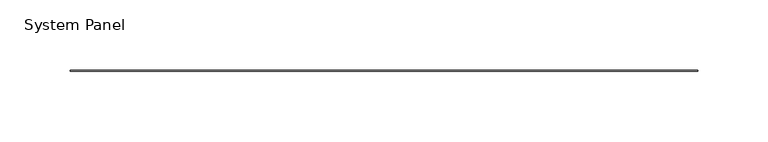
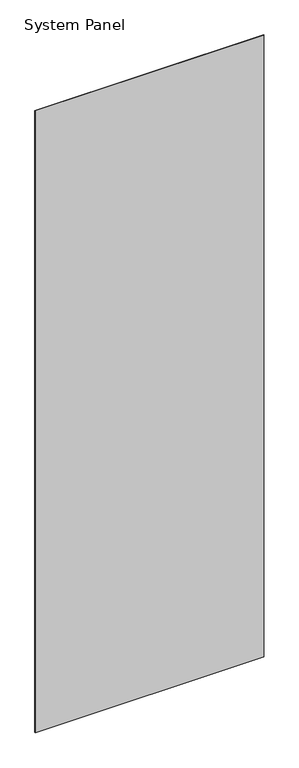
"""IFC4 building model written with IfcOpenShell, lengths in millimetres: plate geometry, System Panel."""

from ifc_helpers import new_model, si_unit, origin, origin_with_axes, place, context, project, spatial, polyline, outline, extrude, source, transform, mapped, element, save


def system_panel_01ba04a7(model_context):
    return source(origin(), model_context, "Body", "SweptSolid", [
        extrude(outline(polyline([(223.5200002, -0.396875), (-223.5200002, -0.396875), (-223.5200002, 0.396875), (223.5200002, 0.396875), (223.5200002, -0.396875)])), origin_with_axes(), (0.0, 0.0, 1.0), 1285.875),
    ])


if __name__ == "__main__":
    model = new_model("IFC4")
    model_context = context("Model", 3, world=origin())
    ifc_project = project(units=[si_unit("LENGTHUNIT", "METRE", prefix="MILLI")], contexts=[model_context])
    site = spatial("IfcSite", under=ifc_project)
    building = spatial("IfcBuilding", under=site)
    placement = place(None, origin())
    system_panel_shape = system_panel_01ba04a7(model_context)
    element("IfcPlate", 1, ObjectType="System Panel", at=placement, inside=building, context=model_context, shape_type="MappedRepresentation", body=[
        mapped(system_panel_shape, transform((0.0, 0.0, 0.0), x_axis=(1.0, 0.0, 0.0), y_axis=(0.0, 1.0, 0.0), z_axis=(0.0, 0.0, 1.0))),
    ])
    save(model, "model.ifc")
